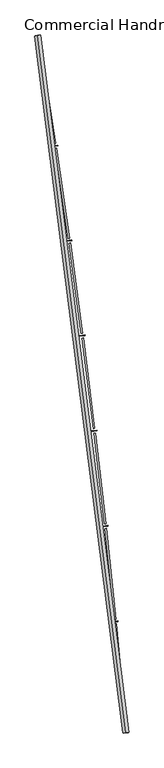
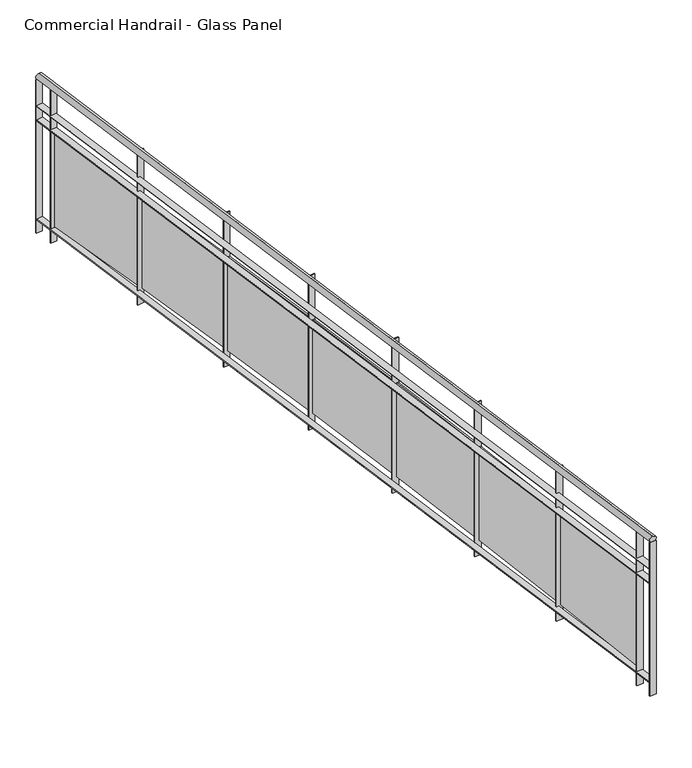
"""IFC4 building model written with IfcOpenShell, lengths in millimetres: railing geometry, Commercial Handrail - Glass Panel."""

from ifc_helpers import new_model, si_unit, point, frame, origin, place, context, project, spatial, polyline, circle_curve, ellipse_curve, trimmed, outline, extrude, source, transform, mapped, element, save
from ifc_brep_helpers import plane_surface, cylinder_surface, revolved_surface, advanced_brep


def commercial_handrail_glass_panel_1d539b97(model_context):
    return source(origin(), model_context, "Body", "SolidModel", [
        advanced_brep(
        [(182571.9295754, -52879.5364282, 29882.5), (181834.8110467, -47067.1917957, 29882.5), (181834.8110467, -47067.1917957, 29917.5), (182571.9295754, -52879.5364282, 29917.5)],
        [
            (0, 1, circle_curve(frame((104368.4569212, -59844.3474174, 29882.5), z_axis=(0.0, 0.0, 1.0), x_axis=(0.9866690945138685, 0.16273935581531185, 0.0)), 78513.0035554)),
            (1, 2, ellipse_curve(frame((181834.8110467, -47067.1917957, 29900.0), z_axis=(0.16273935581530558, -0.9866690945138697, 0.0), x_axis=(-0.9866690945138695, -0.16273935581530555, 0.0)), 25.0, 17.5)),
            (2, 3, circle_curve(frame((104368.4569212, -59844.3474174, 29917.5), z_axis=(0.0, 0.0, -1.0), x_axis=(0.9866690945138685, 0.16273935581531185, 0.0)), 78513.0035554)),
            (3, 0, ellipse_curve(frame((182571.9295754, -52879.5364282, 29900.0), z_axis=(-0.08870901218759285, 0.9960575842574071, 0.0), x_axis=(-0.9960575842574071, -0.08870901218759285, 0.0)), 25.0, 17.5)),
            (2, 1, ellipse_curve(frame((181834.8110467, -47067.1917957, 29900.0), z_axis=(0.16273935581530558, -0.9866690945138697, 0.0), x_axis=(-0.9866690945138695, -0.16273935581530555, 0.0)), 25.0, 17.5)),
            (0, 3, ellipse_curve(frame((182571.9295754, -52879.5364282, 29900.0), z_axis=(-0.08870901218759285, 0.9960575842574071, 0.0), x_axis=(-0.9960575842574071, -0.08870901218759285, 0.0)), 25.0, 17.5)),
        ],
        [
            revolved_surface(trimmed(ellipse_curve(frame((181834.8110467, -47067.1917957, 29900.0), z_axis=(-0.16273935581531185, 0.9866690945138685, 0.0), x_axis=(0.0, 0.0, -1.0)), 17.5, 25.0), [point((181834.8110467, -47067.1917957, 29917.5))], [point((181834.8110467, -47067.1917957, 29882.5))], True, "CARTESIAN"), (104368.4569212, -59844.3474174, 29900.0), (0.0, 0.0, -1.0)),
            revolved_surface(trimmed(ellipse_curve(frame((181834.8110467, -47067.1917957, 29900.0), z_axis=(-0.16273935581531185, 0.9866690945138685, 0.0), x_axis=(0.0, 0.0, -1.0)), 17.5, 25.0), [point((181834.8110467, -47067.1917957, 29882.5))], [point((181834.8110467, -47067.1917957, 29917.5))], True, "CARTESIAN"), (104368.4569212, -59844.3474174, 29900.0), (0.0, 0.0, -1.0)),
            plane_surface(frame((181834.8110467, -47067.1917957, 29900.0), z_axis=(-0.16273935581531188, 0.9866690945138686, 0.0), x_axis=(0.9866690945138686, 0.16273935581531188, 0.0))),
            plane_surface(frame((182571.9295754, -52879.5364282, 29900.0), z_axis=(0.08870901218759289, -0.9960575842574071, 0.0), x_axis=(0.9960575842574071, 0.08870901218759289, 0.0))),
        ],
        [
            (0, [[1, 2, 3, 4]]),
            (1, [[-3, 5, -1, 6]]),
            (2, [[-2, -5]]),
            (3, [[-6, -4]]),
        ],
    ),
        advanced_brep(
        [(182594.340871, -52877.5404754, 29700.0), (181857.0111014, -47063.5301602, 29700.0), (181812.6109921, -47070.8534312, 29700.0), (182549.5182797, -52881.5323809, 29700.0), (182594.340871, -52877.5404754, 29694.0), (181857.0111014, -47063.5301602, 29694.0), (182549.5182797, -52881.5323809, 29694.0), (181812.6109921, -47070.8534312, 29694.0)],
        [
            (0, 1, circle_curve(frame((104368.4569212, -59844.3474174, 29700.0), z_axis=(0.0, 0.0, 1.0), x_axis=(0.9866690945138685, 0.16273935581531185, 0.0)), 78535.5035554)),
            (1, 2),
            (2, 3, circle_curve(frame((104368.4569212, -59844.3474174, 29700.0), z_axis=(0.0, 0.0, -1.0), x_axis=(0.9866690945138685, 0.16273935581531185, 0.0)), 78490.5035554)),
            (3, 0),
            (4, 5, circle_curve(frame((104368.4569212, -59844.3474174, 29694.0), z_axis=(0.0, 0.0, 1.0), x_axis=(0.9866690945138685, 0.16273935581531185, 0.0)), 78535.5035554)),
            (5, 1),
            (0, 4),
            (6, 7, circle_curve(frame((104368.4569212, -59844.3474174, 29694.0), z_axis=(0.0, 0.0, 1.0), x_axis=(0.9866690945138685, 0.16273935581531185, 0.0)), 78490.5035554)),
            (7, 5),
            (4, 6),
            (2, 7),
            (6, 3),
        ],
        [
            plane_surface(frame((104368.4569212, -59844.3474174, 29700.0), z_axis=(0.0, 0.0, 1.0000000000000002), x_axis=(0.9866690945138686, 0.16273935581531188, 0.0))),
            cylinder_surface(frame((104368.4569212, -59844.3474174, 29700.0), z_axis=(0.0, 0.0, -1.0), x_axis=(0.9866690945138685, 0.16273935581531185, 0.0)), 78535.5035554),
            plane_surface(frame((104368.4569212, -59844.3474174, 29694.0), z_axis=(0.0, 0.0, -1.0000000000000002), x_axis=(0.9866690945138686, 0.16273935581531188, 0.0))),
            revolved_surface(polyline([(181812.6109921441, -47070.85343117476, 29694.0), (181812.6109921441, -47070.85343117476, 29700.0)]), (104368.4569212, -59844.3474174, 29700.0), (0.0, 0.0, -1.0)),
            plane_surface(frame((181834.8110467, -47067.1917957, 29700.0), z_axis=(-0.16273935581531188, 0.9866690945138686, 0.0), x_axis=(0.9866690945138686, 0.16273935581531188, 0.0))),
            plane_surface(frame((182571.9295754, -52879.5364282, 29700.0), z_axis=(0.08870901218759289, -0.9960575842574071, 0.0), x_axis=(0.9960575842574071, 0.08870901218759289, 0.0))),
        ],
        [
            (0, [[1, 2, 3, 4]]),
            (1, [[5, 6, -1, 7]]),
            (2, [[8, 9, -5, 10]]),
            (3, [[-3, 11, -8, 12]]),
            (4, [[-2, -6, -9, -11]]),
            (5, [[-12, -10, -7, -4]]),
        ],
    ),
        advanced_brep(
        [(182594.340871, -52877.5404754, 29600.0), (181857.0111014, -47063.5301602, 29600.0), (181812.6109921, -47070.8534312, 29600.0), (182549.5182797, -52881.5323809, 29600.0), (182594.340871, -52877.5404754, 29594.0), (181857.0111014, -47063.5301602, 29594.0), (182549.5182797, -52881.5323809, 29594.0), (181812.6109921, -47070.8534312, 29594.0)],
        [
            (0, 1, circle_curve(frame((104368.4569212, -59844.3474174, 29600.0), z_axis=(0.0, 0.0, 1.0), x_axis=(0.9866690945138685, 0.16273935581531185, 0.0)), 78535.5035554)),
            (1, 2),
            (2, 3, circle_curve(frame((104368.4569212, -59844.3474174, 29600.0), z_axis=(0.0, 0.0, -1.0), x_axis=(0.9866690945138685, 0.16273935581531185, 0.0)), 78490.5035554)),
            (3, 0),
            (4, 5, circle_curve(frame((104368.4569212, -59844.3474174, 29594.0), z_axis=(0.0, 0.0, 1.0), x_axis=(0.9866690945138685, 0.16273935581531185, 0.0)), 78535.5035554)),
            (5, 1),
            (0, 4),
            (6, 7, circle_curve(frame((104368.4569212, -59844.3474174, 29594.0), z_axis=(0.0, 0.0, 1.0), x_axis=(0.9866690945138685, 0.16273935581531185, 0.0)), 78490.5035554)),
            (7, 5),
            (4, 6),
            (2, 7),
            (6, 3),
        ],
        [
            plane_surface(frame((104368.4569212, -59844.3474174, 29600.0), z_axis=(0.0, 0.0, 1.0000000000000002), x_axis=(0.9866690945138686, 0.16273935581531188, 0.0))),
            cylinder_surface(frame((104368.4569212, -59844.3474174, 29600.0), z_axis=(0.0, 0.0, -1.0), x_axis=(0.9866690945138685, 0.16273935581531185, 0.0)), 78535.5035554),
            plane_surface(frame((104368.4569212, -59844.3474174, 29594.0), z_axis=(0.0, 0.0, -1.0000000000000002), x_axis=(0.9866690945138686, 0.16273935581531188, 0.0))),
            revolved_surface(polyline([(181812.6109921441, -47070.85343117476, 29594.0), (181812.6109921441, -47070.85343117476, 29600.0)]), (104368.4569212, -59844.3474174, 29600.0), (0.0, 0.0, -1.0)),
            plane_surface(frame((181834.8110467, -47067.1917957, 29600.0), z_axis=(-0.16273935581531188, 0.9866690945138686, 0.0), x_axis=(0.9866690945138686, 0.16273935581531188, 0.0))),
            plane_surface(frame((182571.9295754, -52879.5364282, 29600.0), z_axis=(0.08870901218759289, -0.9960575842574071, 0.0), x_axis=(0.9960575842574071, 0.08870901218759289, 0.0))),
        ],
        [
            (0, [[1, 2, 3, 4]]),
            (1, [[5, 6, -1, 7]]),
            (2, [[8, 9, -5, 10]]),
            (3, [[-3, 11, -8, 12]]),
            (4, [[-2, -6, -9, -11]]),
            (5, [[-12, -10, -7, -4]]),
        ],
    ),
        advanced_brep(
        [(182594.340871, -52877.5404754, 28900.0), (181857.0111014, -47063.5301602, 28900.0), (181812.6109921, -47070.8534312, 28900.0), (182549.5182797, -52881.5323809, 28900.0), (182594.340871, -52877.5404754, 28894.0), (181857.0111014, -47063.5301602, 28894.0), (182549.5182797, -52881.5323809, 28894.0), (181812.6109921, -47070.8534312, 28894.0)],
        [
            (0, 1, circle_curve(frame((104368.4569212, -59844.3474174, 28900.0), z_axis=(0.0, 0.0, 1.0), x_axis=(0.9866690945138685, 0.16273935581531185, 0.0)), 78535.5035554)),
            (1, 2),
            (2, 3, circle_curve(frame((104368.4569212, -59844.3474174, 28900.0), z_axis=(0.0, 0.0, -1.0), x_axis=(0.9866690945138685, 0.16273935581531185, 0.0)), 78490.5035554)),
            (3, 0),
            (4, 5, circle_curve(frame((104368.4569212, -59844.3474174, 28894.0), z_axis=(0.0, 0.0, 1.0), x_axis=(0.9866690945138685, 0.16273935581531185, 0.0)), 78535.5035554)),
            (5, 1),
            (0, 4),
            (6, 7, circle_curve(frame((104368.4569212, -59844.3474174, 28894.0), z_axis=(0.0, 0.0, 1.0), x_axis=(0.9866690945138685, 0.16273935581531185, 0.0)), 78490.5035554)),
            (7, 5),
            (4, 6),
            (2, 7),
            (6, 3),
        ],
        [
            plane_surface(frame((104368.4569212, -59844.3474174, 28900.0), z_axis=(0.0, 0.0, 1.0000000000000002), x_axis=(0.9866690945138686, 0.16273935581531188, 0.0))),
            cylinder_surface(frame((104368.4569212, -59844.3474174, 28900.0), z_axis=(0.0, 0.0, -1.0), x_axis=(0.9866690945138685, 0.16273935581531185, 0.0)), 78535.5035554),
            plane_surface(frame((104368.4569212, -59844.3474174, 28894.0), z_axis=(0.0, 0.0, -1.0000000000000002), x_axis=(0.9866690945138686, 0.16273935581531188, 0.0))),
            revolved_surface(polyline([(181812.6109921441, -47070.85343117476, 28894.0), (181812.6109921441, -47070.85343117476, 28900.0)]), (104368.4569212, -59844.3474174, 28900.0), (0.0, 0.0, -1.0)),
            plane_surface(frame((181834.8110467, -47067.1917957, 28900.0), z_axis=(-0.16273935581531188, 0.9866690945138686, 0.0), x_axis=(0.9866690945138686, 0.16273935581531188, 0.0))),
            plane_surface(frame((182571.9295754, -52879.5364282, 28900.0), z_axis=(0.08870901218759289, -0.9960575842574071, 0.0), x_axis=(0.9960575842574071, 0.08870901218759289, 0.0))),
        ],
        [
            (0, [[1, 2, 3, 4]]),
            (1, [[5, 6, -1, 7]]),
            (2, [[8, 9, -5, 10]]),
            (3, [[-3, 11, -8, 12]]),
            (4, [[-2, -6, -9, -11]]),
            (5, [[-12, -10, -7, -4]]),
        ],
    ),
        extrude(outline(polyline([(182537.5994721, -52748.9749653), (182582.4153855, -52744.9087751), (182582.9575442, -52750.8842302), (182538.1416308, -52754.9504204), (182537.5994721, -52748.9749653)])), frame((0.0, 0.0, 28800.0), z_axis=(0.0, 0.0, 1.0), x_axis=(1.0, 0.0, 0.0)), (0.0, 0.0, 1.0), 1082.1192282),
        extrude(outline(polyline([(182492.8282703, -51972.8214769), (182565.3569267, -52729.3527677), (182553.4116957, -52730.497957), (182480.8830394, -51973.9666662), (182492.8282703, -51972.8214769)])), frame((0.0, 0.0, 28920.0), z_axis=(0.0, 0.0, 1.0), x_axis=(1.0, 0.0, 0.0)), (0.0, 0.0, 1.0), 660.0),
        extrude(outline(polyline([(182461.2452987, -51952.8608143), (182506.0174543, -51948.3381961), (182506.6204701, -51954.3078168), (182461.8483144, -51958.830435), (182461.2452987, -51952.8608143)])), frame((0.0, 0.0, 28800.0), z_axis=(0.0, 0.0, 1.0), x_axis=(1.0, 0.0, 0.0)), (0.0, 0.0, 1.0), 1082.1192282),
        extrude(outline(polyline([(182408.5680235, -51177.2038007), (182488.8013774, -51932.9568086), (182476.8684352, -51934.223651), (182396.6350812, -51178.4706431), (182408.5680235, -51177.2038007)])), frame((0.0, 0.0, 28920.0), z_axis=(0.0, 0.0, 1.0), x_axis=(1.0, 0.0, 0.0)), (0.0, 0.0, 1.0), 660.0),
        extrude(outline(polyline([(182376.7833078, -51157.5659801), (182421.5070573, -51152.5874034), (182422.1708676, -51158.55057), (182377.447118, -51163.5291467), (182376.7833078, -51157.5659801)])), frame((0.0, 0.0, 28800.0), z_axis=(0.0, 0.0, 1.0), x_axis=(1.0, 0.0, 0.0)), (0.0, 0.0, 1.0), 1082.1192282),
        extrude(outline(polyline([(182316.2054283, -50382.4859723), (182404.1351498, -51137.3822327), (182392.2157352, -51138.7705968), (182304.2860136, -50383.8743363), (182316.2054283, -50382.4859723)])), frame((0.0, 0.0, 28920.0), z_axis=(0.0, 0.0, 1.0), x_axis=(1.0, 0.0, 0.0)), (0.0, 0.0, 1.0), 660.0),
        extrude(outline(polyline([(182284.2222685, -50363.1730325), (182328.8929686, -50357.7390141), (182329.6175044, -50363.6951075), (182284.9468043, -50369.1291258), (182284.2222685, -50363.1730325)])), frame((0.0, 0.0, 28800.0), z_axis=(0.0, 0.0, 1.0), x_axis=(1.0, 0.0, 0.0)), (0.0, 0.0, 1.0), 1082.1192282),
        extrude(outline(polyline([(182215.750074, -49588.7505014), (182311.3670341, -50342.711639), (182299.4623845, -50344.2213805), (182203.8454245, -49590.2602429), (182215.750074, -49588.7505014)])), frame((0.0, 0.0, 28920.0), z_axis=(0.0, 0.0, 1.0), x_axis=(1.0, 0.0, 0.0)), (0.0, 0.0, 1.0), 660.0),
        extrude(outline(polyline([(182183.5717908, -49569.7644476), (182228.1848036, -49563.8755518), (182228.9699897, -49569.8239535), (182184.3569769, -49575.7128493), (182183.5717908, -49569.7644476)])), frame((0.0, 0.0, 28800.0), z_axis=(0.0, 0.0, 1.0), x_axis=(1.0, 0.0, 0.0)), (0.0, 0.0, 1.0), 1082.1192282),
        extrude(outline(polyline([(182107.2123904, -48796.0797961), (182210.5066616, -49549.0275324), (182198.6180132, -49550.6584945), (182095.3237419, -48797.7107583), (182107.2123904, -48796.0797961)])), frame((0.0, 0.0, 28920.0), z_axis=(0.0, 0.0, 1.0), x_axis=(1.0, 0.0, 0.0)), (0.0, 0.0, 1.0), 660.0),
        extrude(outline(polyline([(182074.8423245, -48777.4225994), (182119.3930181, -48771.0794376), (182120.238773, -48777.0195301), (182075.6880794, -48783.3626919), (182074.8423245, -48777.4225994)])), frame((0.0, 0.0, 28800.0), z_axis=(0.0, 0.0, 1.0), x_axis=(1.0, 0.0, 0.0)), (0.0, 0.0, 1.0), 1082.1192282),
        extrude(outline(polyline([(181990.6036459, -48004.5561536), (182101.5645041, -48756.4123154), (182089.6930911, -48758.1643289), (181978.7322329, -48006.3081672), (181990.6036459, -48004.5561536)])), frame((0.0, 0.0, 28920.0), z_axis=(0.0, 0.0, 1.0), x_axis=(1.0, 0.0, 0.0)), (0.0, 0.0, 1.0), 660.0),
        extrude(outline(polyline([(181958.0451582, -47986.2297512), (182002.5289072, -47979.4329819), (182003.4351431, -47985.3641484), (181958.9513941, -47992.1609177), (181958.0451582, -47986.2297512)])), frame((0.0, 0.0, 28800.0), z_axis=(0.0, 0.0, 1.0), x_axis=(1.0, 0.0, 0.0)), (0.0, 0.0, 1.0), 1082.1192282),
        extrude(outline(polyline([(181865.9359474, -47214.2617523), (181984.5518723, -47964.9482797), (181972.6989271, -47966.8211627), (181854.0830022, -47216.1346353), (181865.9359474, -47214.2617523)])), frame((0.0, 0.0, 28920.0), z_axis=(0.0, 0.0, 1.0), x_axis=(1.0, 0.0, 0.0)), (0.0, 0.0, 1.0), 660.0),
        extrude(outline(polyline([(181833.1924181, -47196.2680467), (181877.6046042, -47189.0183756), (181878.571227, -47194.9400004), (181834.1590409, -47202.1896715), (181833.1924181, -47196.2680467)])), frame((0.0, 0.0, 28800.0), z_axis=(0.0, 0.0, 1.0), x_axis=(1.0, 0.0, 0.0)), (0.0, 0.0, 1.0), 1082.1192282),
        extrude(outline(polyline([(182549.2521527, -52878.5442082), (182594.074744, -52874.5523026), (182594.606998, -52880.5286481), (182549.7844067, -52884.5205537), (182549.2521527, -52878.5442082)])), frame((0.0, 0.0, 28800.0), z_axis=(0.0, 0.0, 1.0), x_axis=(1.0, 0.0, 0.0)), (0.0, 0.0, 1.0), 1082.1192282),
        extrude(outline(polyline([(181812.122774, -47067.8934239), (181856.5228833, -47060.5701529), (181857.4993194, -47066.4901675), (181813.0992102, -47073.8134385), (181812.122774, -47067.8934239)])), frame((0.0, 0.0, 28800.0), z_axis=(0.0, 0.0, 1.0), x_axis=(1.0, 0.0, 0.0)), (0.0, 0.0, 1.0), 1082.1192282),
    ])


if __name__ == "__main__":
    model = new_model("IFC4")
    model_context = context("Model", 3, world=origin())
    ifc_project = project(units=[si_unit("LENGTHUNIT", "METRE", prefix="MILLI")], contexts=[model_context])
    site = spatial("IfcSite", under=ifc_project)
    building = spatial("IfcBuilding", under=site)
    placement = place(None, origin())
    commercial_handrail_glass_panel_shape = commercial_handrail_glass_panel_1d539b97(model_context)
    element("IfcRailing", 1, ObjectType="Commercial Handrail - Glass Panel", at=placement, inside=building, context=model_context, shape_type="MappedRepresentation", body=[
        mapped(commercial_handrail_glass_panel_shape, transform((0.0, 0.0, 0.0), x_axis=(1.0, 0.0, 0.0), y_axis=(0.0, 1.0, 0.0), z_axis=(0.0, 0.0, 1.0))),
    ])
    save(model, "model.ifc")
